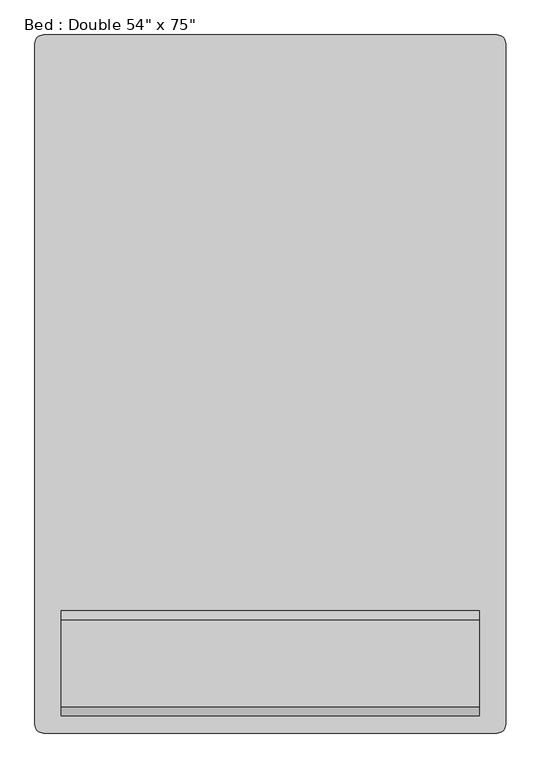
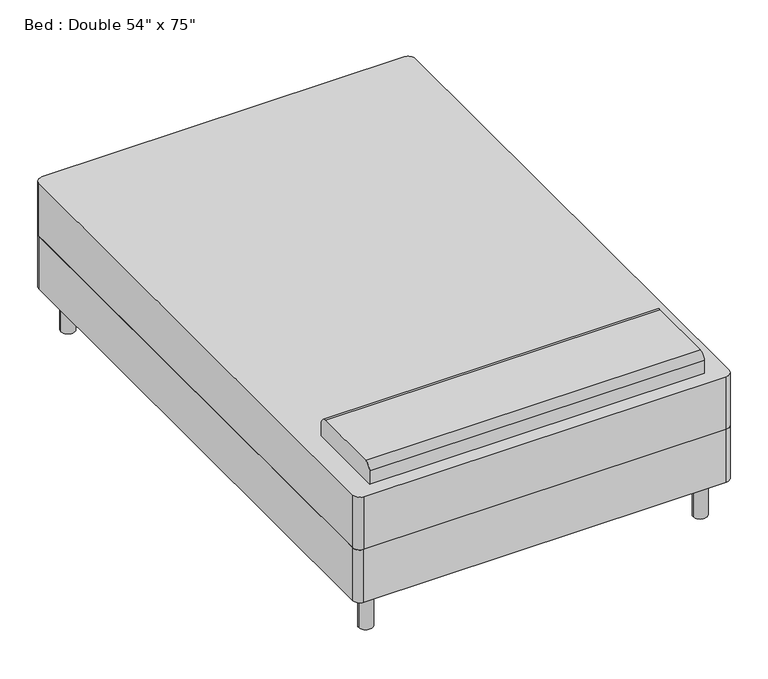
"""IFC4 building model written with IfcOpenShell, lengths in millimetres: furniture geometry."""

import ifcopenshell
import ifcopenshell.guid

model = None  # the IFC model being written
_history = None  # IfcOwnerHistory: only IFC2X3 demands one
_inside = {}  # id of a spatial element -> (the spatial element, [elements in it])
_under = {}  # id of a project, library or spatial element -> (it, [spatial elements below it])
_declared = {}  # id of a project -> (the project, [libraries it declares])
_typed = {}  # id of a type object -> (the type object, [elements of that type])
_made_of = {}  # id of a material, layer set ... -> (it, [elements and type objects made of it])


def new_model(schema):
    """Start an empty IFC model of exactly this schema.

    Asked for "IFC4X3", IfcOpenShell would pick the latest addendum, in which some entities
    have other attributes; the version numbers below select the first issue.
    IFC2X3 requires an IfcOwnerHistory on every rooted entity: one is made here for all.
    """
    global model, _history
    if schema == "IFC4X3":
        model = ifcopenshell.file(schema_version=(4, 3, 0, 0))
    else:
        model = ifcopenshell.file(schema=schema)
    _inside.clear()
    _under.clear()
    _declared.clear()
    _typed.clear()
    _made_of.clear()
    _history = None
    if model.schema == "IFC2X3":
        org = make("IfcOrganization", Name="unknown")
        user = make(
            "IfcPersonAndOrganization",
            ThePerson=make("IfcPerson", FamilyName="unknown"),
            TheOrganization=org,
        )
        app = make(
            "IfcApplication",
            ApplicationDeveloper=org,
            Version="unknown",
            ApplicationFullName="unknown",
            ApplicationIdentifier="unknown",
        )
        _history = make(
            "IfcOwnerHistory",
            OwningUser=user,
            OwningApplication=app,
            ChangeAction="ADDED",
            CreationDate=0,
        )
    return model


def make(cls, **values):
    """One entity of the class cls with the attributes given. An attribute that is None is left unset."""
    return model.create_entity(
        cls, **{name: value for name, value in values.items() if value is not None}
    )


def rooted(cls, **values):
    """An entity with a GlobalId (a new one), such as an element, a storey or a relation."""
    return make(cls, GlobalId=ifcopenshell.guid.new(), OwnerHistory=_history, **values)


def si_unit(unit_type, name, prefix=None):
    """IfcSIUnit, for example si_unit("LENGTHUNIT", "METRE", prefix="MILLI")."""
    return make("IfcSIUnit", UnitType=unit_type, Prefix=prefix, Name=name)


def assignment(units):
    """IfcUnitAssignment: the units of a project."""
    return None if units is None else make("IfcUnitAssignment", Units=units)


def point(xyz):
    """IfcCartesianPoint."""
    return None if xyz is None else make("IfcCartesianPoint", Coordinates=xyz)


def direction(xyz):
    """IfcDirection."""
    return None if xyz is None else make("IfcDirection", DirectionRatios=xyz)


def frame(location, z_axis=None, x_axis=None):
    """IfcAxis2Placement3D, a coordinate frame: its origin and axes. An axis left out is left unset."""
    return make(
        "IfcAxis2Placement3D",
        Location=point(location),
        Axis=direction(z_axis),
        RefDirection=direction(x_axis),
    )


def frame_2d(location, x_axis=None):
    """IfcAxis2Placement2D, a coordinate frame in the plane: its origin and x axis."""
    return make(
        "IfcAxis2Placement2D", Location=point(location), RefDirection=direction(x_axis)
    )


def origin():
    """The frame at (0, 0, 0) with its axes left unset."""
    return frame((0.0, 0.0, 0.0))


def origin_with_axes():
    """The frame at (0, 0, 0) with the z axis (0, 0, 1) and the x axis (1, 0, 0) written out."""
    return frame((0.0, 0.0, 0.0), z_axis=(0.0, 0.0, 1.0), x_axis=(1.0, 0.0, 0.0))


def place(relative_to, where):
    """IfcLocalPlacement: puts the frame where relative to a parent placement (None: the world)."""
    return make(
        "IfcLocalPlacement", PlacementRelTo=relative_to, RelativePlacement=where
    )


def context(
    kind, dimensions, precision=None, world=None, true_north=None, identifier=None
):
    """IfcGeometricRepresentationContext, for example the 3D "Model" context."""
    return make(
        "IfcGeometricRepresentationContext",
        ContextIdentifier=identifier,
        ContextType=kind,
        CoordinateSpaceDimension=dimensions,
        Precision=precision,
        WorldCoordinateSystem=world,
        TrueNorth=true_north,
    )


def project(units=None, contexts=None):
    """IfcProject with its units and contexts."""
    return rooted(
        "IfcProject",
        Name="project",
        RepresentationContexts=contexts,
        UnitsInContext=assignment(units),
    )


def spatial(cls, under=None, at=None, **own):
    """A site, building, storey or space (cls), placed at a placement, below another one or the project."""
    s = rooted(cls, ObjectPlacement=at, **own)
    if under is not None:
        _under.setdefault(under.id(), (under, []))[1].append(s)
    return s


def polyline(points):
    """IfcPolyline through the points."""
    return make("IfcPolyline", Points=[point(p) for p in points])


def circle_curve(where, radius):
    """IfcCircle in the frame where."""
    return make("IfcCircle", Position=where, Radius=radius)


def trimmed(basis, trim1, trim2, sense, master):
    """IfcTrimmedCurve: the piece of a basis curve between two trims."""
    return make(
        "IfcTrimmedCurve",
        BasisCurve=basis,
        Trim1=trim1,
        Trim2=trim2,
        SenseAgreement=sense,
        MasterRepresentation=master,
    )


def segment(curve, same_sense, transition):
    """IfcCompositeCurveSegment."""
    return make(
        "IfcCompositeCurveSegment",
        Transition=transition,
        SameSense=same_sense,
        ParentCurve=curve,
    )


def composite_curve(segments, self_intersect=None):
    """IfcCompositeCurve: segments joined end to end."""
    return make("IfcCompositeCurve", Segments=segments, SelfIntersect=self_intersect)


def outline(outer, holes=None, kind="AREA"):
    """IfcArbitraryClosedProfileDef: a profile drawn as a closed curve; with holes, ...WithVoids."""
    if holes is None:
        return make("IfcArbitraryClosedProfileDef", ProfileType=kind, OuterCurve=outer)
    return make(
        "IfcArbitraryProfileDefWithVoids",
        ProfileType=kind,
        OuterCurve=outer,
        InnerCurves=holes,
    )


def extrude(swept, where, along, depth):
    """IfcExtrudedAreaSolid: the profile swept, set in the frame where, extruded along a direction by depth."""
    return make(
        "IfcExtrudedAreaSolid",
        SweptArea=swept,
        Position=where,
        ExtrudedDirection=direction(along),
        Depth=depth,
    )


def shape(context_of_items, identifier, shape_type, items):
    """IfcShapeRepresentation: the items that make up one representation, for example the "Body"."""
    return make(
        "IfcShapeRepresentation",
        ContextOfItems=context_of_items,
        RepresentationIdentifier=identifier,
        RepresentationType=shape_type,
        Items=items,
    )


def source(mapping_origin, context_of_items, identifier, shape_type, items):
    """IfcRepresentationMap: a shape defined once, which mapped items show again and again."""
    return make(
        "IfcRepresentationMap",
        MappingOrigin=mapping_origin,
        MappedRepresentation=shape(context_of_items, identifier, shape_type, items),
    )


def transform(
    local_origin,
    x_axis=None,
    y_axis=None,
    z_axis=None,
    scale=None,
    scale2=None,
    scale3=None,
    uniform=True,
):
    """IfcCartesianTransformationOperator3D, or its non-uniform kind. x_axis, y_axis, z_axis: its Axis1, 2, 3."""
    if uniform:
        return make(
            "IfcCartesianTransformationOperator3D",
            Axis1=direction(x_axis),
            Axis2=direction(y_axis),
            LocalOrigin=point(local_origin),
            Scale=scale,
            Axis3=direction(z_axis),
        )
    return make(
        "IfcCartesianTransformationOperator3DnonUniform",
        Axis1=direction(x_axis),
        Axis2=direction(y_axis),
        LocalOrigin=point(local_origin),
        Scale=scale,
        Axis3=direction(z_axis),
        Scale2=scale2,
        Scale3=scale3,
    )


def mapped(mapping_source, mapping_target):
    """IfcMappedItem: shows the shape of a source again, moved by a transform."""
    return make(
        "IfcMappedItem", MappingSource=mapping_source, MappingTarget=mapping_target
    )


def made_of(thing, what):
    """Note that an element or type object is made of a material, layer set ...; save() writes the relation."""
    if what is not None:
        _made_of.setdefault(what.id(), (what, []))[1].append(thing)
    return thing


def element(
    cls,
    number,
    at=None,
    inside=None,
    cuts=None,
    type_object=None,
    material=None,
    context=None,
    identifier="Body",
    shape_type=None,
    held_by="IfcProductDefinitionShape",
    body=None,
    shapes=None,
    **own,
):
    """One element of the class cls, such as IfcWall. Its Tag is "e" and its number.

    at: its placement. inside: the storey or other place that contains it. cuts: it is an
    opening in that element (IfcRelVoidsElement). A single representation is given by context,
    identifier, shape_type and body (its items); several are given by shapes. held_by: the class
    of the entity that holds the representations. save() writes the other relations.
    """
    e = rooted(cls, Tag="e%d" % number, ObjectPlacement=at, **own)
    if body is not None:
        shapes = [shape(context, identifier, shape_type, body)]
    if shapes is not None:
        e.Representation = make(held_by, Representations=shapes)
    if inside is not None:
        _inside.setdefault(inside.id(), (inside, []))[1].append(e)
    if cuts is not None:
        rooted(
            "IfcRelVoidsElement", RelatingBuildingElement=cuts, RelatedOpeningElement=e
        )
    if type_object is not None:
        _typed.setdefault(type_object.id(), (type_object, []))[1].append(e)
    return made_of(e, material)


def aggregate(whole, parts):
    """IfcRelAggregates: a whole, such as a stair, and the parts it consists of."""
    return rooted("IfcRelAggregates", RelatingObject=whole, RelatedObjects=parts)


def save(model, path):
    """Write the relations noted so far, then the file.

    IfcRelAggregates (storeys below a building ...), IfcRelContainedInSpatialStructure (elements
    in a storey), IfcRelDefinesByType, IfcRelAssociatesMaterial and IfcRelDeclares: one each for
    every whole, place, type object, material and project.
    """
    for whole, parts in _under.values():
        aggregate(whole, parts)
    for where, things in _inside.values():
        rooted(
            "IfcRelContainedInSpatialStructure",
            RelatedElements=things,
            RelatingStructure=where,
        )
    for kind, things in _typed.values():
        rooted("IfcRelDefinesByType", RelatedObjects=things, RelatingType=kind)
    for what, things in _made_of.values():
        rooted("IfcRelAssociatesMaterial", RelatedObjects=things, RelatingMaterial=what)
    for by, libraries in _declared.values():
        rooted("IfcRelDeclares", RelatingContext=by, RelatedDefinitions=libraries)
    model.write(path)


def furniture_28bebb56(model_context):
    return source(origin(), model_context, "Body", "SweptSolid", [
        extrude(outline(composite_curve([segment(trimmed(circle_curve(frame_2d((-388.9114754, 1036.195082)), 25.4), [point((-414.3114754, 1036.195082))], [point((-388.9114754, 1061.595082))], False, "CARTESIAN"), True, "CONTINUOUS"), segment(polyline([(-388.9114754, 1061.595082), (931.8885246, 1061.595082)]), True, "CONTINUOUS"), segment(trimmed(circle_curve(frame_2d((931.8885246, 1036.195082)), 25.4), [point((931.8885246, 1061.595082))], [point((957.2885246, 1036.195082))], False, "CARTESIAN"), True, "CONTINUOUS"), segment(polyline([(957.2885246, 1036.195082), (957.2885246, -945.004918)]), True, "CONTINUOUS"), segment(trimmed(circle_curve(frame_2d((931.8885246, -945.004918)), 25.4), [point((957.2885246, -945.004918))], [point((931.8885246, -970.404918))], False, "CARTESIAN"), True, "CONTINUOUS"), segment(polyline([(931.8885246, -970.404918), (-388.9114754, -970.404918)]), True, "CONTINUOUS"), segment(trimmed(circle_curve(frame_2d((-388.9114754, -945.004918)), 25.4), [point((-388.9114754, -970.404918))], [point((-414.3114754, -945.004918))], False, "CARTESIAN"), True, "CONTINUOUS"), segment(polyline([(-414.3114754, -945.004918), (-414.3114754, 1036.195082)]), True, "CONTINUOUS")], self_intersect=False)), frame((0.0, 0.0, 152.4), z_axis=(0.0, 0.0, 1.0), x_axis=(1.0, 0.0, 0.0)), (0.0, 0.0, 1.0), 203.2),
        extrude(outline(composite_curve([segment(polyline([(-614.804918, 558.8), (-919.604918, 558.8), (-919.604918, 609.6)]), True, "CONTINUOUS"), segment(trimmed(circle_curve(frame_2d((-894.204918, 609.6)), 25.4), [point((-919.604918, 609.6))], [point((-894.204918, 635.0))], False, "CARTESIAN"), True, "CONTINUOUS"), segment(polyline([(-894.204918, 635.0), (-640.204918, 635.0)]), True, "CONTINUOUS"), segment(trimmed(circle_curve(frame_2d((-640.204918, 609.6)), 25.4), [point((-640.204918, 635.0))], [point((-614.804918, 609.6))], False, "CARTESIAN"), True, "CONTINUOUS"), segment(polyline([(-614.804918, 609.6), (-614.804918, 558.8)]), True, "CONTINUOUS")], self_intersect=False)), frame((-338.1114754, 0.0, 0.0), z_axis=(1.0, 0.0, 0.0), x_axis=(0.0, 1.0, 0.0)), (0.0, 0.0, 1.0), 1219.2),
        extrude(outline(composite_curve([segment(trimmed(circle_curve(frame_2d((-338.1114754, -894.204918)), 25.4), [point((-363.5114754, -894.204918))], [point((-312.7114754, -894.204918))], False, "CARTESIAN"), True, "CONTINUOUS"), segment(trimmed(circle_curve(frame_2d((-338.1114754, -894.204918)), 25.4), [point((-312.7114754, -894.204918))], [point((-363.5114754, -894.204918))], False, "CARTESIAN"), True, "CONTINUOUS")], self_intersect=False)), origin_with_axes(), (0.0, 0.0, 1.0), 152.4),
        extrude(outline(composite_curve([segment(trimmed(circle_curve(frame_2d((881.0885246, -894.204918)), 25.4), [point((855.6885246, -894.204918))], [point((906.4885246, -894.204918))], False, "CARTESIAN"), True, "CONTINUOUS"), segment(trimmed(circle_curve(frame_2d((881.0885246, -894.204918)), 25.4), [point((906.4885246, -894.204918))], [point((855.6885246, -894.204918))], False, "CARTESIAN"), True, "CONTINUOUS")], self_intersect=False)), origin_with_axes(), (0.0, 0.0, 1.0), 152.4),
        extrude(outline(composite_curve([segment(trimmed(circle_curve(frame_2d((881.0885246, 985.395082)), 25.4), [point((855.6885246, 985.395082))], [point((906.4885246, 985.395082))], False, "CARTESIAN"), True, "CONTINUOUS"), segment(trimmed(circle_curve(frame_2d((881.0885246, 985.395082)), 25.4), [point((906.4885246, 985.395082))], [point((855.6885246, 985.395082))], False, "CARTESIAN"), True, "CONTINUOUS")], self_intersect=False)), origin_with_axes(), (0.0, 0.0, 1.0), 152.4),
        extrude(outline(composite_curve([segment(trimmed(circle_curve(frame_2d((-338.1114754, 985.395082)), 25.4), [point((-363.5114754, 985.395082))], [point((-312.7114754, 985.395082))], False, "CARTESIAN"), True, "CONTINUOUS"), segment(trimmed(circle_curve(frame_2d((-338.1114754, 985.395082)), 25.4), [point((-312.7114754, 985.395082))], [point((-363.5114754, 985.395082))], False, "CARTESIAN"), True, "CONTINUOUS")], self_intersect=False)), origin_with_axes(), (0.0, 0.0, 1.0), 152.4),
        extrude(outline(composite_curve([segment(trimmed(circle_curve(frame_2d((-388.9114754, -945.004918)), 25.4), [point((-388.9114754, -970.404918))], [point((-414.3114754, -945.004918))], False, "CARTESIAN"), True, "CONTINUOUS"), segment(polyline([(-414.3114754, -945.004918), (-414.3114754, 1036.195082)]), True, "CONTINUOUS"), segment(trimmed(circle_curve(frame_2d((-388.9114754, 1036.195082)), 25.4), [point((-414.3114754, 1036.195082))], [point((-388.9114754, 1061.595082))], False, "CARTESIAN"), True, "CONTINUOUS"), segment(polyline([(-388.9114754, 1061.595082), (931.8885246, 1061.595082)]), True, "CONTINUOUS"), segment(trimmed(circle_curve(frame_2d((931.8885246, 1036.195082)), 25.4), [point((931.8885246, 1061.595082))], [point((957.2885246, 1036.195082))], False, "CARTESIAN"), True, "CONTINUOUS"), segment(polyline([(957.2885246, 1036.195082), (957.2885246, -945.004918)]), True, "CONTINUOUS"), segment(trimmed(circle_curve(frame_2d((931.8885246, -945.004918)), 25.4), [point((957.2885246, -945.004918))], [point((931.8885246, -970.404918))], False, "CARTESIAN"), True, "CONTINUOUS"), segment(polyline([(931.8885246, -970.404918), (-388.9114754, -970.404918)]), True, "CONTINUOUS")], self_intersect=False)), frame((0.0, 0.0, 355.6), z_axis=(0.0, 0.0, 1.0), x_axis=(1.0, 0.0, 0.0)), (0.0, 0.0, 1.0), 203.2),
    ])


if __name__ == "__main__":
    model = new_model("IFC4")
    model_context = context("Model", 3, world=origin())
    ifc_project = project(units=[si_unit("LENGTHUNIT", "METRE", prefix="MILLI")], contexts=[model_context])
    site = spatial("IfcSite", under=ifc_project)
    building = spatial("IfcBuilding", under=site)
    placement = place(None, origin())
    furniture_shape = furniture_28bebb56(model_context)
    element("IfcFurniture", 1, ObjectType="Bed : Double 54\" x 75\"", at=placement, inside=building, context=model_context, shape_type="MappedRepresentation", body=[
        mapped(furniture_shape, transform((0.0, 0.0, 0.0), x_axis=(1.0, 0.0, 0.0), y_axis=(0.0, 1.0, 0.0), z_axis=(0.0, 0.0, 1.0))),
    ])
    save(model, "model.ifc")
